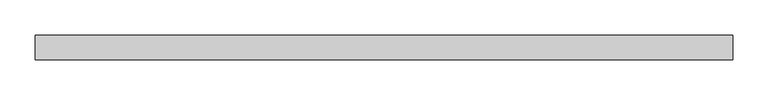
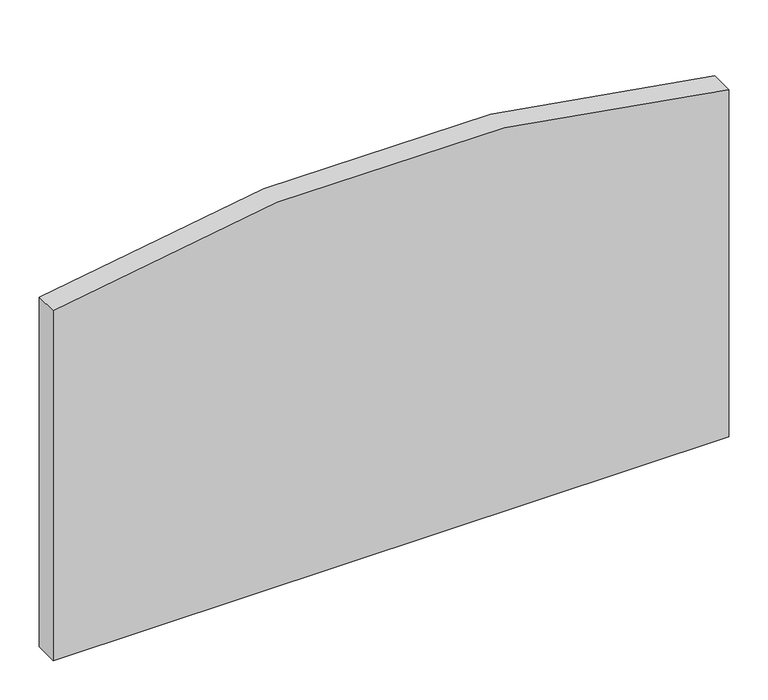
"""IFC4 building model written with IfcOpenShell, lengths in millimetres: plate geometry."""

from ifc_helpers import new_model, si_unit, point, frame, frame_2d, origin, place, context, project, spatial, polyline, circle_curve, trimmed, segment, composite_curve, outline, extrude, source, transform, mapped, element, save


def plate_c4a47ce4(model_context):
    return source(origin(), model_context, "Body", "SweptSolid", [
        extrude(outline(composite_curve([segment(polyline([(0.0, -496.3125), (0.0, 496.3125), (539.2691888, 496.3125)]), True, "CONTINUOUS"), segment(trimmed(circle_curve(frame_2d((-1440.1861711, -7.5)), 2042.5647008), [point((539.2691888, 496.3125))], [point((543.0266004, -496.3125))], False, "CARTESIAN"), True, "CONTINUOUS"), segment(polyline([(543.0266004, -496.3125), (0.0, -496.3125)]), True, "CONTINUOUS")], self_intersect=False)), frame((0.0, -17.5, 0.0), z_axis=(0.0, 1.0, 0.0), x_axis=(0.0, 0.0, 1.0)), (0.0, 0.0, 1.0), 35.0),
    ])


if __name__ == "__main__":
    model = new_model("IFC4")
    model_context = context("Model", 3, world=origin())
    ifc_project = project(units=[si_unit("LENGTHUNIT", "METRE", prefix="MILLI")], contexts=[model_context])
    site = spatial("IfcSite", under=ifc_project)
    building = spatial("IfcBuilding", under=site)
    placement = place(None, origin())
    plate_shape = plate_c4a47ce4(model_context)
    element("IfcPlate", 1, at=placement, inside=building, context=model_context, shape_type="MappedRepresentation", body=[
        mapped(plate_shape, transform((0.0, 0.0, 0.0), x_axis=(1.0, 0.0, 0.0), y_axis=(0.0, 1.0, 0.0), z_axis=(0.0, 0.0, 1.0))),
    ])
    save(model, "model.ifc")
